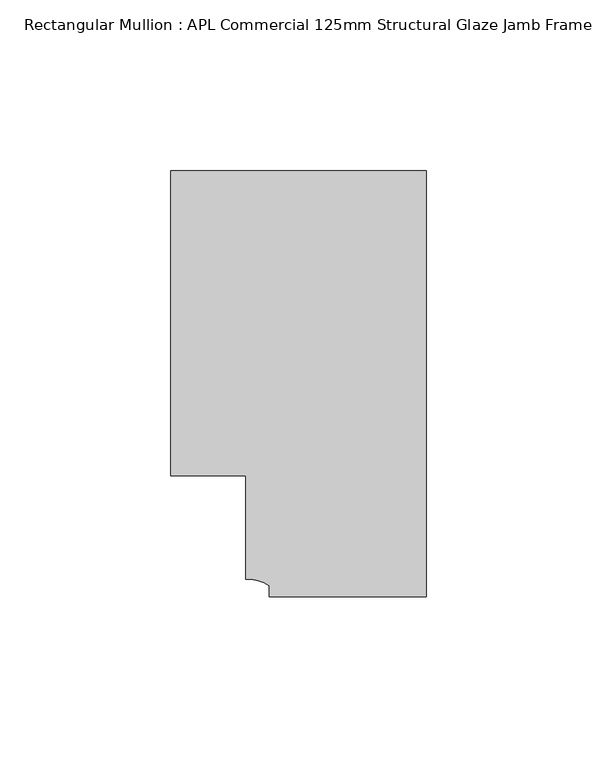
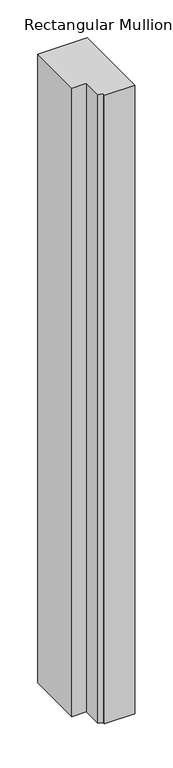
"""IFC4 building model written with IfcOpenShell, lengths in millimetres: member geometry, Rectangular Mullion : APL Commercial 125mm Structural Glaze Jamb Frame (left)."""

import ifcopenshell
import ifcopenshell.guid

model = None  # the IFC model being written
_history = None  # IfcOwnerHistory: only IFC2X3 demands one
_inside = {}  # id of a spatial element -> (the spatial element, [elements in it])
_under = {}  # id of a project, library or spatial element -> (it, [spatial elements below it])
_declared = {}  # id of a project -> (the project, [libraries it declares])
_typed = {}  # id of a type object -> (the type object, [elements of that type])
_made_of = {}  # id of a material, layer set ... -> (it, [elements and type objects made of it])


def new_model(schema):
    """Start an empty IFC model of exactly this schema.

    Asked for "IFC4X3", IfcOpenShell would pick the latest addendum, in which some entities
    have other attributes; the version numbers below select the first issue.
    IFC2X3 requires an IfcOwnerHistory on every rooted entity: one is made here for all.
    """
    global model, _history
    if schema == "IFC4X3":
        model = ifcopenshell.file(schema_version=(4, 3, 0, 0))
    else:
        model = ifcopenshell.file(schema=schema)
    _inside.clear()
    _under.clear()
    _declared.clear()
    _typed.clear()
    _made_of.clear()
    _history = None
    if model.schema == "IFC2X3":
        org = make("IfcOrganization", Name="unknown")
        user = make(
            "IfcPersonAndOrganization",
            ThePerson=make("IfcPerson", FamilyName="unknown"),
            TheOrganization=org,
        )
        app = make(
            "IfcApplication",
            ApplicationDeveloper=org,
            Version="unknown",
            ApplicationFullName="unknown",
            ApplicationIdentifier="unknown",
        )
        _history = make(
            "IfcOwnerHistory",
            OwningUser=user,
            OwningApplication=app,
            ChangeAction="ADDED",
            CreationDate=0,
        )
    return model


def make(cls, **values):
    """One entity of the class cls with the attributes given. An attribute that is None is left unset."""
    return model.create_entity(
        cls, **{name: value for name, value in values.items() if value is not None}
    )


def rooted(cls, **values):
    """An entity with a GlobalId (a new one), such as an element, a storey or a relation."""
    return make(cls, GlobalId=ifcopenshell.guid.new(), OwnerHistory=_history, **values)


def si_unit(unit_type, name, prefix=None):
    """IfcSIUnit, for example si_unit("LENGTHUNIT", "METRE", prefix="MILLI")."""
    return make("IfcSIUnit", UnitType=unit_type, Prefix=prefix, Name=name)


def assignment(units):
    """IfcUnitAssignment: the units of a project."""
    return None if units is None else make("IfcUnitAssignment", Units=units)


def point(xyz):
    """IfcCartesianPoint."""
    return None if xyz is None else make("IfcCartesianPoint", Coordinates=xyz)


def direction(xyz):
    """IfcDirection."""
    return None if xyz is None else make("IfcDirection", DirectionRatios=xyz)


def frame(location, z_axis=None, x_axis=None):
    """IfcAxis2Placement3D, a coordinate frame: its origin and axes. An axis left out is left unset."""
    return make(
        "IfcAxis2Placement3D",
        Location=point(location),
        Axis=direction(z_axis),
        RefDirection=direction(x_axis),
    )


def frame_2d(location, x_axis=None):
    """IfcAxis2Placement2D, a coordinate frame in the plane: its origin and x axis."""
    return make(
        "IfcAxis2Placement2D", Location=point(location), RefDirection=direction(x_axis)
    )


def origin():
    """The frame at (0, 0, 0) with its axes left unset."""
    return frame((0.0, 0.0, 0.0))


def place(relative_to, where):
    """IfcLocalPlacement: puts the frame where relative to a parent placement (None: the world)."""
    return make(
        "IfcLocalPlacement", PlacementRelTo=relative_to, RelativePlacement=where
    )


def context(
    kind, dimensions, precision=None, world=None, true_north=None, identifier=None
):
    """IfcGeometricRepresentationContext, for example the 3D "Model" context."""
    return make(
        "IfcGeometricRepresentationContext",
        ContextIdentifier=identifier,
        ContextType=kind,
        CoordinateSpaceDimension=dimensions,
        Precision=precision,
        WorldCoordinateSystem=world,
        TrueNorth=true_north,
    )


def project(units=None, contexts=None):
    """IfcProject with its units and contexts."""
    return rooted(
        "IfcProject",
        Name="project",
        RepresentationContexts=contexts,
        UnitsInContext=assignment(units),
    )


def spatial(cls, under=None, at=None, **own):
    """A site, building, storey or space (cls), placed at a placement, below another one or the project."""
    s = rooted(cls, ObjectPlacement=at, **own)
    if under is not None:
        _under.setdefault(under.id(), (under, []))[1].append(s)
    return s


def polyline(points):
    """IfcPolyline through the points."""
    return make("IfcPolyline", Points=[point(p) for p in points])


def circle_curve(where, radius):
    """IfcCircle in the frame where."""
    return make("IfcCircle", Position=where, Radius=radius)


def trimmed(basis, trim1, trim2, sense, master):
    """IfcTrimmedCurve: the piece of a basis curve between two trims."""
    return make(
        "IfcTrimmedCurve",
        BasisCurve=basis,
        Trim1=trim1,
        Trim2=trim2,
        SenseAgreement=sense,
        MasterRepresentation=master,
    )


def segment(curve, same_sense, transition):
    """IfcCompositeCurveSegment."""
    return make(
        "IfcCompositeCurveSegment",
        Transition=transition,
        SameSense=same_sense,
        ParentCurve=curve,
    )


def composite_curve(segments, self_intersect=None):
    """IfcCompositeCurve: segments joined end to end."""
    return make("IfcCompositeCurve", Segments=segments, SelfIntersect=self_intersect)


def outline(outer, holes=None, kind="AREA"):
    """IfcArbitraryClosedProfileDef: a profile drawn as a closed curve; with holes, ...WithVoids."""
    if holes is None:
        return make("IfcArbitraryClosedProfileDef", ProfileType=kind, OuterCurve=outer)
    return make(
        "IfcArbitraryProfileDefWithVoids",
        ProfileType=kind,
        OuterCurve=outer,
        InnerCurves=holes,
    )


def extrude(swept, where, along, depth):
    """IfcExtrudedAreaSolid: the profile swept, set in the frame where, extruded along a direction by depth."""
    return make(
        "IfcExtrudedAreaSolid",
        SweptArea=swept,
        Position=where,
        ExtrudedDirection=direction(along),
        Depth=depth,
    )


def shape(context_of_items, identifier, shape_type, items):
    """IfcShapeRepresentation: the items that make up one representation, for example the "Body"."""
    return make(
        "IfcShapeRepresentation",
        ContextOfItems=context_of_items,
        RepresentationIdentifier=identifier,
        RepresentationType=shape_type,
        Items=items,
    )


def source(mapping_origin, context_of_items, identifier, shape_type, items):
    """IfcRepresentationMap: a shape defined once, which mapped items show again and again."""
    return make(
        "IfcRepresentationMap",
        MappingOrigin=mapping_origin,
        MappedRepresentation=shape(context_of_items, identifier, shape_type, items),
    )


def transform(
    local_origin,
    x_axis=None,
    y_axis=None,
    z_axis=None,
    scale=None,
    scale2=None,
    scale3=None,
    uniform=True,
):
    """IfcCartesianTransformationOperator3D, or its non-uniform kind. x_axis, y_axis, z_axis: its Axis1, 2, 3."""
    if uniform:
        return make(
            "IfcCartesianTransformationOperator3D",
            Axis1=direction(x_axis),
            Axis2=direction(y_axis),
            LocalOrigin=point(local_origin),
            Scale=scale,
            Axis3=direction(z_axis),
        )
    return make(
        "IfcCartesianTransformationOperator3DnonUniform",
        Axis1=direction(x_axis),
        Axis2=direction(y_axis),
        LocalOrigin=point(local_origin),
        Scale=scale,
        Axis3=direction(z_axis),
        Scale2=scale2,
        Scale3=scale3,
    )


def mapped(mapping_source, mapping_target):
    """IfcMappedItem: shows the shape of a source again, moved by a transform."""
    return make(
        "IfcMappedItem", MappingSource=mapping_source, MappingTarget=mapping_target
    )


def made_of(thing, what):
    """Note that an element or type object is made of a material, layer set ...; save() writes the relation."""
    if what is not None:
        _made_of.setdefault(what.id(), (what, []))[1].append(thing)
    return thing


def element(
    cls,
    number,
    at=None,
    inside=None,
    cuts=None,
    type_object=None,
    material=None,
    context=None,
    identifier="Body",
    shape_type=None,
    held_by="IfcProductDefinitionShape",
    body=None,
    shapes=None,
    **own,
):
    """One element of the class cls, such as IfcWall. Its Tag is "e" and its number.

    at: its placement. inside: the storey or other place that contains it. cuts: it is an
    opening in that element (IfcRelVoidsElement). A single representation is given by context,
    identifier, shape_type and body (its items); several are given by shapes. held_by: the class
    of the entity that holds the representations. save() writes the other relations.
    """
    e = rooted(cls, Tag="e%d" % number, ObjectPlacement=at, **own)
    if body is not None:
        shapes = [shape(context, identifier, shape_type, body)]
    if shapes is not None:
        e.Representation = make(held_by, Representations=shapes)
    if inside is not None:
        _inside.setdefault(inside.id(), (inside, []))[1].append(e)
    if cuts is not None:
        rooted(
            "IfcRelVoidsElement", RelatingBuildingElement=cuts, RelatedOpeningElement=e
        )
    if type_object is not None:
        _typed.setdefault(type_object.id(), (type_object, []))[1].append(e)
    return made_of(e, material)


def aggregate(whole, parts):
    """IfcRelAggregates: a whole, such as a stair, and the parts it consists of."""
    return rooted("IfcRelAggregates", RelatingObject=whole, RelatedObjects=parts)


def save(model, path):
    """Write the relations noted so far, then the file.

    IfcRelAggregates (storeys below a building ...), IfcRelContainedInSpatialStructure (elements
    in a storey), IfcRelDefinesByType, IfcRelAssociatesMaterial and IfcRelDeclares: one each for
    every whole, place, type object, material and project.
    """
    for whole, parts in _under.values():
        aggregate(whole, parts)
    for where, things in _inside.values():
        rooted(
            "IfcRelContainedInSpatialStructure",
            RelatedElements=things,
            RelatingStructure=where,
        )
    for kind, things in _typed.values():
        rooted("IfcRelDefinesByType", RelatedObjects=things, RelatingType=kind)
    for what, things in _made_of.values():
        rooted("IfcRelAssociatesMaterial", RelatedObjects=things, RelatingMaterial=what)
    for by, libraries in _declared.values():
        rooted("IfcRelDeclares", RelatingContext=by, RelatedDefinitions=libraries)
    model.write(path)


def rectangular_mullion_apl_commercial_125mm_structural_glaze_3441d839(model_context):
    return source(origin(), model_context, "Body", "SweptSolid", [
        extrude(outline(composite_curve([segment(polyline([(0.0, -20.5), (-45.9999842, -20.5), (-45.9999842, -17.3125325)]), True, "CONTINUOUS"), segment(trimmed(circle_curve(frame_2d((-52.1098019, -25.7981812)), 10.4563907), [point((-45.9999842, -17.3125325))], [point((-52.9999391, -15.3797475))], True, "CARTESIAN"), True, "CONTINUOUS"), segment(polyline([(-52.9999391, -15.3797475), (-52.9999391, 15.0000829), (-75.0, 15.0000829), (-75.0, 104.5), (0.0, 104.5), (0.0, -20.5)]), True, "CONTINUOUS")], self_intersect=False)), frame((0.0, 0.0, -1010.8333342), z_axis=(0.0, 0.0, 1.0), x_axis=(1.0, 0.0, 0.0)), (0.0, 0.0, 1.0), 1010.8333342),
    ])


if __name__ == "__main__":
    model = new_model("IFC4")
    model_context = context("Model", 3, world=origin())
    ifc_project = project(units=[si_unit("LENGTHUNIT", "METRE", prefix="MILLI")], contexts=[model_context])
    site = spatial("IfcSite", under=ifc_project)
    building = spatial("IfcBuilding", under=site)
    placement = place(None, origin())
    rectangular_mullion_apl_commercial_125mm_structural_glaze_shape = rectangular_mullion_apl_commercial_125mm_structural_glaze_3441d839(model_context)
    element("IfcMember", 1, ObjectType="Rectangular Mullion : APL Commercial 125mm Structural Glaze Jamb Frame (left)", at=placement, inside=building, context=model_context, shape_type="MappedRepresentation", body=[
        mapped(rectangular_mullion_apl_commercial_125mm_structural_glaze_shape, transform((0.0, 0.0, 0.0), x_axis=(1.0, 0.0, 0.0), y_axis=(0.0, 1.0, 0.0), z_axis=(0.0, 0.0, 1.0))),
    ])
    save(model, "model.ifc")
